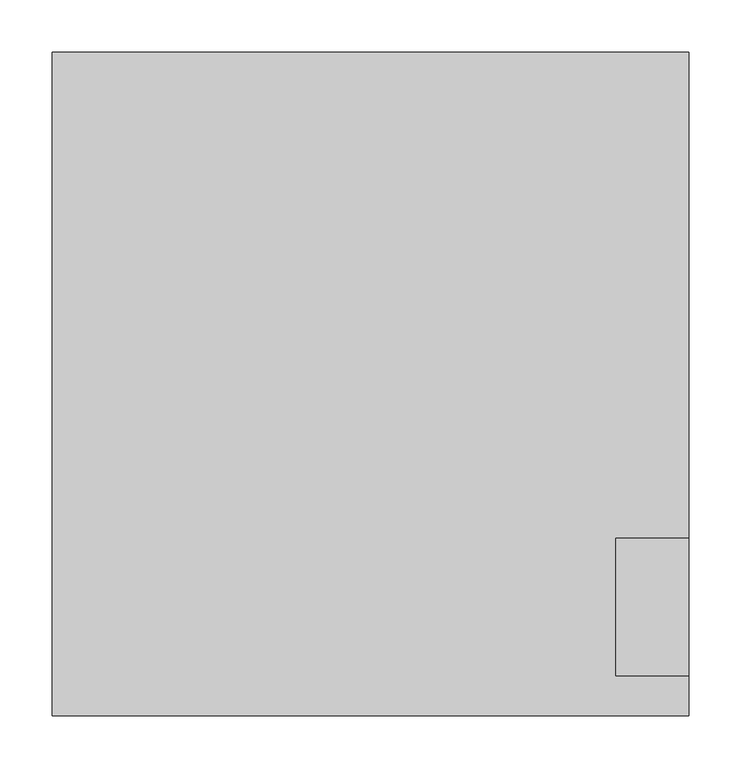
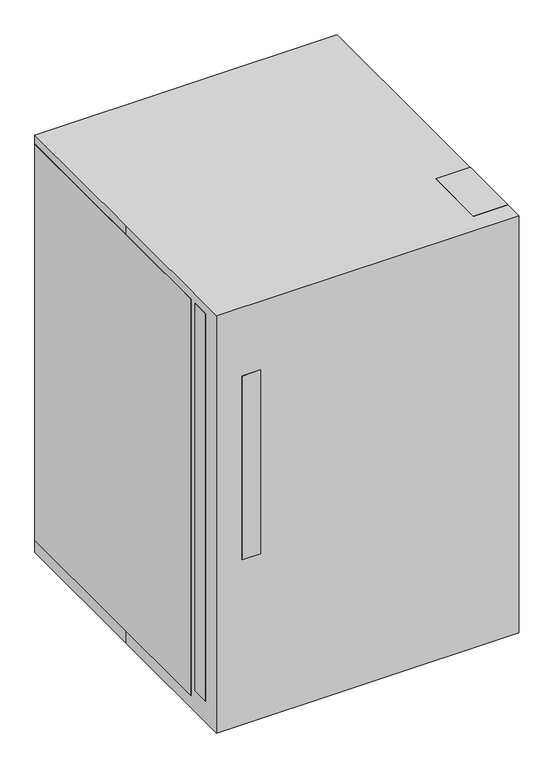
"""IFC4 building model written with IfcOpenShell, lengths in millimetres: proxy geometry."""

import ifcopenshell
import ifcopenshell.guid

model = None  # the IFC model being written
_history = None  # IfcOwnerHistory: only IFC2X3 demands one
_inside = {}  # id of a spatial element -> (the spatial element, [elements in it])
_under = {}  # id of a project, library or spatial element -> (it, [spatial elements below it])
_declared = {}  # id of a project -> (the project, [libraries it declares])
_typed = {}  # id of a type object -> (the type object, [elements of that type])
_made_of = {}  # id of a material, layer set ... -> (it, [elements and type objects made of it])


def new_model(schema):
    """Start an empty IFC model of exactly this schema.

    Asked for "IFC4X3", IfcOpenShell would pick the latest addendum, in which some entities
    have other attributes; the version numbers below select the first issue.
    IFC2X3 requires an IfcOwnerHistory on every rooted entity: one is made here for all.
    """
    global model, _history
    if schema == "IFC4X3":
        model = ifcopenshell.file(schema_version=(4, 3, 0, 0))
    else:
        model = ifcopenshell.file(schema=schema)
    _inside.clear()
    _under.clear()
    _declared.clear()
    _typed.clear()
    _made_of.clear()
    _history = None
    if model.schema == "IFC2X3":
        org = make("IfcOrganization", Name="unknown")
        user = make(
            "IfcPersonAndOrganization",
            ThePerson=make("IfcPerson", FamilyName="unknown"),
            TheOrganization=org,
        )
        app = make(
            "IfcApplication",
            ApplicationDeveloper=org,
            Version="unknown",
            ApplicationFullName="unknown",
            ApplicationIdentifier="unknown",
        )
        _history = make(
            "IfcOwnerHistory",
            OwningUser=user,
            OwningApplication=app,
            ChangeAction="ADDED",
            CreationDate=0,
        )
    return model


def make(cls, **values):
    """One entity of the class cls with the attributes given. An attribute that is None is left unset."""
    return model.create_entity(
        cls, **{name: value for name, value in values.items() if value is not None}
    )


def rooted(cls, **values):
    """An entity with a GlobalId (a new one), such as an element, a storey or a relation."""
    return make(cls, GlobalId=ifcopenshell.guid.new(), OwnerHistory=_history, **values)


def si_unit(unit_type, name, prefix=None):
    """IfcSIUnit, for example si_unit("LENGTHUNIT", "METRE", prefix="MILLI")."""
    return make("IfcSIUnit", UnitType=unit_type, Prefix=prefix, Name=name)


def assignment(units):
    """IfcUnitAssignment: the units of a project."""
    return None if units is None else make("IfcUnitAssignment", Units=units)


def point(xyz):
    """IfcCartesianPoint."""
    return None if xyz is None else make("IfcCartesianPoint", Coordinates=xyz)


def direction(xyz):
    """IfcDirection."""
    return None if xyz is None else make("IfcDirection", DirectionRatios=xyz)


def frame(location, z_axis=None, x_axis=None):
    """IfcAxis2Placement3D, a coordinate frame: its origin and axes. An axis left out is left unset."""
    return make(
        "IfcAxis2Placement3D",
        Location=point(location),
        Axis=direction(z_axis),
        RefDirection=direction(x_axis),
    )


def frame_2d(location, x_axis=None):
    """IfcAxis2Placement2D, a coordinate frame in the plane: its origin and x axis."""
    return make(
        "IfcAxis2Placement2D", Location=point(location), RefDirection=direction(x_axis)
    )


def origin():
    """The frame at (0, 0, 0) with its axes left unset."""
    return frame((0.0, 0.0, 0.0))


def origin_with_axes():
    """The frame at (0, 0, 0) with the z axis (0, 0, 1) and the x axis (1, 0, 0) written out."""
    return frame((0.0, 0.0, 0.0), z_axis=(0.0, 0.0, 1.0), x_axis=(1.0, 0.0, 0.0))


def place(relative_to, where):
    """IfcLocalPlacement: puts the frame where relative to a parent placement (None: the world)."""
    return make(
        "IfcLocalPlacement", PlacementRelTo=relative_to, RelativePlacement=where
    )


def context(
    kind, dimensions, precision=None, world=None, true_north=None, identifier=None
):
    """IfcGeometricRepresentationContext, for example the 3D "Model" context."""
    return make(
        "IfcGeometricRepresentationContext",
        ContextIdentifier=identifier,
        ContextType=kind,
        CoordinateSpaceDimension=dimensions,
        Precision=precision,
        WorldCoordinateSystem=world,
        TrueNorth=true_north,
    )


def project(units=None, contexts=None):
    """IfcProject with its units and contexts."""
    return rooted(
        "IfcProject",
        Name="project",
        RepresentationContexts=contexts,
        UnitsInContext=assignment(units),
    )


def spatial(cls, under=None, at=None, **own):
    """A site, building, storey or space (cls), placed at a placement, below another one or the project."""
    s = rooted(cls, ObjectPlacement=at, **own)
    if under is not None:
        _under.setdefault(under.id(), (under, []))[1].append(s)
    return s


def polyline(points):
    """IfcPolyline through the points."""
    return make("IfcPolyline", Points=[point(p) for p in points])


def circle_curve(where, radius):
    """IfcCircle in the frame where."""
    return make("IfcCircle", Position=where, Radius=radius)


def trimmed(basis, trim1, trim2, sense, master):
    """IfcTrimmedCurve: the piece of a basis curve between two trims."""
    return make(
        "IfcTrimmedCurve",
        BasisCurve=basis,
        Trim1=trim1,
        Trim2=trim2,
        SenseAgreement=sense,
        MasterRepresentation=master,
    )


def segment(curve, same_sense, transition):
    """IfcCompositeCurveSegment."""
    return make(
        "IfcCompositeCurveSegment",
        Transition=transition,
        SameSense=same_sense,
        ParentCurve=curve,
    )


def composite_curve(segments, self_intersect=None):
    """IfcCompositeCurve: segments joined end to end."""
    return make("IfcCompositeCurve", Segments=segments, SelfIntersect=self_intersect)


def outline(outer, holes=None, kind="AREA"):
    """IfcArbitraryClosedProfileDef: a profile drawn as a closed curve; with holes, ...WithVoids."""
    if holes is None:
        return make("IfcArbitraryClosedProfileDef", ProfileType=kind, OuterCurve=outer)
    return make(
        "IfcArbitraryProfileDefWithVoids",
        ProfileType=kind,
        OuterCurve=outer,
        InnerCurves=holes,
    )


def extrude(swept, where, along, depth):
    """IfcExtrudedAreaSolid: the profile swept, set in the frame where, extruded along a direction by depth."""
    return make(
        "IfcExtrudedAreaSolid",
        SweptArea=swept,
        Position=where,
        ExtrudedDirection=direction(along),
        Depth=depth,
    )


def shape(context_of_items, identifier, shape_type, items):
    """IfcShapeRepresentation: the items that make up one representation, for example the "Body"."""
    return make(
        "IfcShapeRepresentation",
        ContextOfItems=context_of_items,
        RepresentationIdentifier=identifier,
        RepresentationType=shape_type,
        Items=items,
    )


def source(mapping_origin, context_of_items, identifier, shape_type, items):
    """IfcRepresentationMap: a shape defined once, which mapped items show again and again."""
    return make(
        "IfcRepresentationMap",
        MappingOrigin=mapping_origin,
        MappedRepresentation=shape(context_of_items, identifier, shape_type, items),
    )


def transform(
    local_origin,
    x_axis=None,
    y_axis=None,
    z_axis=None,
    scale=None,
    scale2=None,
    scale3=None,
    uniform=True,
):
    """IfcCartesianTransformationOperator3D, or its non-uniform kind. x_axis, y_axis, z_axis: its Axis1, 2, 3."""
    if uniform:
        return make(
            "IfcCartesianTransformationOperator3D",
            Axis1=direction(x_axis),
            Axis2=direction(y_axis),
            LocalOrigin=point(local_origin),
            Scale=scale,
            Axis3=direction(z_axis),
        )
    return make(
        "IfcCartesianTransformationOperator3DnonUniform",
        Axis1=direction(x_axis),
        Axis2=direction(y_axis),
        LocalOrigin=point(local_origin),
        Scale=scale,
        Axis3=direction(z_axis),
        Scale2=scale2,
        Scale3=scale3,
    )


def mapped(mapping_source, mapping_target):
    """IfcMappedItem: shows the shape of a source again, moved by a transform."""
    return make(
        "IfcMappedItem", MappingSource=mapping_source, MappingTarget=mapping_target
    )


def made_of(thing, what):
    """Note that an element or type object is made of a material, layer set ...; save() writes the relation."""
    if what is not None:
        _made_of.setdefault(what.id(), (what, []))[1].append(thing)
    return thing


def element(
    cls,
    number,
    at=None,
    inside=None,
    cuts=None,
    type_object=None,
    material=None,
    context=None,
    identifier="Body",
    shape_type=None,
    held_by="IfcProductDefinitionShape",
    body=None,
    shapes=None,
    **own,
):
    """One element of the class cls, such as IfcWall. Its Tag is "e" and its number.

    at: its placement. inside: the storey or other place that contains it. cuts: it is an
    opening in that element (IfcRelVoidsElement). A single representation is given by context,
    identifier, shape_type and body (its items); several are given by shapes. held_by: the class
    of the entity that holds the representations. save() writes the other relations.
    """
    e = rooted(cls, Tag="e%d" % number, ObjectPlacement=at, **own)
    if body is not None:
        shapes = [shape(context, identifier, shape_type, body)]
    if shapes is not None:
        e.Representation = make(held_by, Representations=shapes)
    if inside is not None:
        _inside.setdefault(inside.id(), (inside, []))[1].append(e)
    if cuts is not None:
        rooted(
            "IfcRelVoidsElement", RelatingBuildingElement=cuts, RelatedOpeningElement=e
        )
    if type_object is not None:
        _typed.setdefault(type_object.id(), (type_object, []))[1].append(e)
    return made_of(e, material)


def aggregate(whole, parts):
    """IfcRelAggregates: a whole, such as a stair, and the parts it consists of."""
    return rooted("IfcRelAggregates", RelatingObject=whole, RelatedObjects=parts)


def save(model, path):
    """Write the relations noted so far, then the file.

    IfcRelAggregates (storeys below a building ...), IfcRelContainedInSpatialStructure (elements
    in a storey), IfcRelDefinesByType, IfcRelAssociatesMaterial and IfcRelDeclares: one each for
    every whole, place, type object, material and project.
    """
    for whole, parts in _under.values():
        aggregate(whole, parts)
    for where, things in _inside.values():
        rooted(
            "IfcRelContainedInSpatialStructure",
            RelatedElements=things,
            RelatingStructure=where,
        )
    for kind, things in _typed.values():
        rooted("IfcRelDefinesByType", RelatedObjects=things, RelatingType=kind)
    for what, things in _made_of.values():
        rooted("IfcRelAssociatesMaterial", RelatedObjects=things, RelatingMaterial=what)
    for by, libraries in _declared.values():
        rooted("IfcRelDeclares", RelatingContext=by, RelatedDefinitions=libraries)
    model.write(path)


def specialty_equipment_522e98b9(model_context):
    return source(origin(), model_context, "Body", "SweptSolid", [
        extrude(outline(polyline([(304.8, -279.4), (234.95, -279.4), (234.95, -228.6), (304.8, -228.6), (304.8, -279.4)])), frame((0.0, 0.0, 25.4), z_axis=(0.0, 0.0, 1.0), x_axis=(1.0, 0.0, 0.0)), (0.0, 0.0, 1.0), 19.05),
        extrude(outline(polyline([(-317.5, 351.4614039), (-317.5, 742.95), (-279.4, 742.95), (-279.4, 730.2659299), (-304.8159299, 730.2659299), (-304.8159299, 364.1614039), (-279.4, 364.1614039), (-279.4, 351.4614039), (-317.5, 351.4614039)])), frame((-254.0, 0.0, 0.0), z_axis=(1.0, 0.0, 0.0), x_axis=(0.0, 1.0, 0.0)), (0.0, 0.0, 1.0), 38.1),
        extrude(outline(polyline([(304.8, -279.4), (234.95, -279.4), (234.95, -147.9315495), (304.8, -147.9315495), (304.8, -279.4)])), frame((0.0, 0.0, 869.95), z_axis=(0.0, 0.0, 1.0), x_axis=(1.0, 0.0, 0.0)), (0.0, 0.0, 1.0), 19.05),
        extrude(outline(polyline([(292.1, -241.3), (-292.1, -241.3), (-292.1, -228.6), (292.1, -228.6), (292.1, -241.3)])), frame((0.0, 0.0, 66.7735467), z_axis=(0.0, 0.0, 1.0), x_axis=(1.0, 0.0, 0.0)), (0.0, 0.0, 1.0), 771.4264533),
        extrude(outline(polyline([(304.8, -279.4), (-304.8, -279.4), (-304.8, -241.3), (304.8, -241.3), (304.8, -279.4)])), frame((0.0, 0.0, 44.45), z_axis=(0.0, 0.0, 1.0), x_axis=(1.0, 0.0, 0.0)), (0.0, 0.0, 1.0), 825.5),
        extrude(outline(polyline([(304.8, 317.5), (304.8, -228.6), (-304.8, -228.6), (-304.8, 317.5), (304.8, 317.5)])), frame((0.0, 0.0, 25.4), z_axis=(0.0, 0.0, 1.0), x_axis=(1.0, 0.0, 0.0)), (0.0, 0.0, 1.0), 844.55),
        extrude(outline(composite_curve([segment(trimmed(circle_curve(frame_2d((-231.6775617, -167.1820241)), 31.75), [point((-199.9275617, -167.1820241))], [point((-263.4275617, -167.1820241))], False, "CARTESIAN"), True, "CONTINUOUS"), segment(trimmed(circle_curve(frame_2d((-231.6775617, -167.1820241)), 31.75), [point((-263.4275617, -167.1820241))], [point((-199.9275617, -167.1820241))], False, "CARTESIAN"), True, "CONTINUOUS")], self_intersect=False)), origin_with_axes(), (0.0, 0.0, 1.0), 25.4),
        extrude(outline(composite_curve([segment(trimmed(circle_curve(frame_2d((231.6775617, -167.1820241)), 31.75), [point((199.9275617, -167.1820241))], [point((263.4275617, -167.1820241))], False, "CARTESIAN"), True, "CONTINUOUS"), segment(trimmed(circle_curve(frame_2d((231.6775617, -167.1820241)), 31.75), [point((263.4275617, -167.1820241))], [point((199.9275617, -167.1820241))], False, "CARTESIAN"), True, "CONTINUOUS")], self_intersect=False)), origin_with_axes(), (0.0, 0.0, 1.0), 25.4),
        extrude(outline(composite_curve([segment(trimmed(circle_curve(frame_2d((-231.6775617, 251.9179759)), 31.75), [point((-199.9275617, 251.9179759))], [point((-263.4275617, 251.9179759))], False, "CARTESIAN"), True, "CONTINUOUS"), segment(trimmed(circle_curve(frame_2d((-231.6775617, 251.9179759)), 31.75), [point((-263.4275617, 251.9179759))], [point((-199.9275617, 251.9179759))], False, "CARTESIAN"), True, "CONTINUOUS")], self_intersect=False)), origin_with_axes(), (0.0, 0.0, 1.0), 25.4),
        extrude(outline(composite_curve([segment(trimmed(circle_curve(frame_2d((231.6775617, 251.9179759)), 31.75), [point((199.9275617, 251.9179759))], [point((263.4275617, 251.9179759))], False, "CARTESIAN"), True, "CONTINUOUS"), segment(trimmed(circle_curve(frame_2d((231.6775617, 251.9179759)), 31.75), [point((263.4275617, 251.9179759))], [point((199.9275617, 251.9179759))], False, "CARTESIAN"), True, "CONTINUOUS")], self_intersect=False)), origin_with_axes(), (0.0, 0.0, 1.0), 25.4),
        extrude(outline(polyline([(-304.8, 317.5), (304.8, 317.5), (304.8, -317.5), (-304.8, -317.5), (-304.8, 0.0), (-304.8, 317.5)])), origin_with_axes(), (0.0, 0.0, 1.0), 889.0),
    ])


if __name__ == "__main__":
    model = new_model("IFC4")
    model_context = context("Model", 3, world=origin())
    ifc_project = project(units=[si_unit("LENGTHUNIT", "METRE", prefix="MILLI")], contexts=[model_context])
    site = spatial("IfcSite", under=ifc_project)
    building = spatial("IfcBuilding", under=site)
    placement = place(None, origin())
    specialty_equipment_shape = specialty_equipment_522e98b9(model_context)
    element("IfcBuildingElementProxy", 1, Name="Specialty Equipment", at=placement, inside=building, context=model_context, shape_type="MappedRepresentation", body=[
        mapped(specialty_equipment_shape, transform((0.0, 0.0, 0.0), x_axis=(1.0, 0.0, 0.0), y_axis=(0.0, 1.0, 0.0), z_axis=(0.0, 0.0, 1.0))),
    ])
    save(model, "model.ifc")
